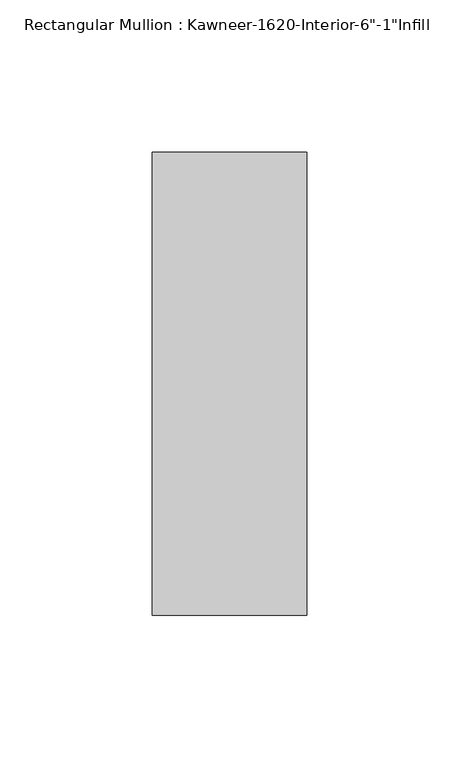
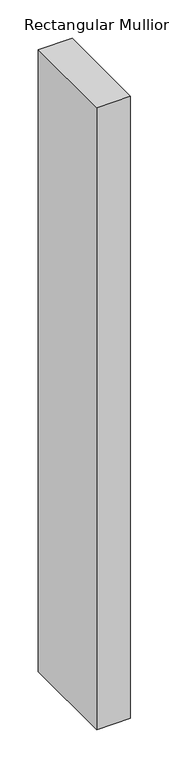
"""IFC4 building model written with IfcOpenShell, lengths in millimetres: member geometry."""

from ifc_helpers import new_model, si_unit, frame, origin, place, context, project, spatial, polyline, outline, extrude, source, transform, mapped, element, save


def member_96d21ba0(model_context):
    return source(origin(), model_context, "Body", "SweptSolid", [
        extrude(outline(polyline([(25.4, -114.3), (-25.4, -114.3), (-25.4, 38.1), (25.4, 38.1), (25.4, -114.3)])), frame((0.0, 0.0, -990.6), z_axis=(0.0, 0.0, 1.0), x_axis=(1.0, 0.0, 0.0)), (0.0, 0.0, 1.0), 990.6),
    ])


if __name__ == "__main__":
    model = new_model("IFC4")
    model_context = context("Model", 3, world=origin())
    ifc_project = project(units=[si_unit("LENGTHUNIT", "METRE", prefix="MILLI")], contexts=[model_context])
    site = spatial("IfcSite", under=ifc_project)
    building = spatial("IfcBuilding", under=site)
    placement = place(None, origin())
    member_shape = member_96d21ba0(model_context)
    element("IfcMember", 1, ObjectType="Rectangular Mullion : Kawneer-1620-Interior-6\"-1\"Infill", at=placement, inside=building, context=model_context, shape_type="MappedRepresentation", body=[
        mapped(member_shape, transform((0.0, 0.0, 0.0), x_axis=(1.0, 0.0, 0.0), y_axis=(0.0, 1.0, 0.0), z_axis=(0.0, 0.0, 1.0))),
    ])
    save(model, "model.ifc")
